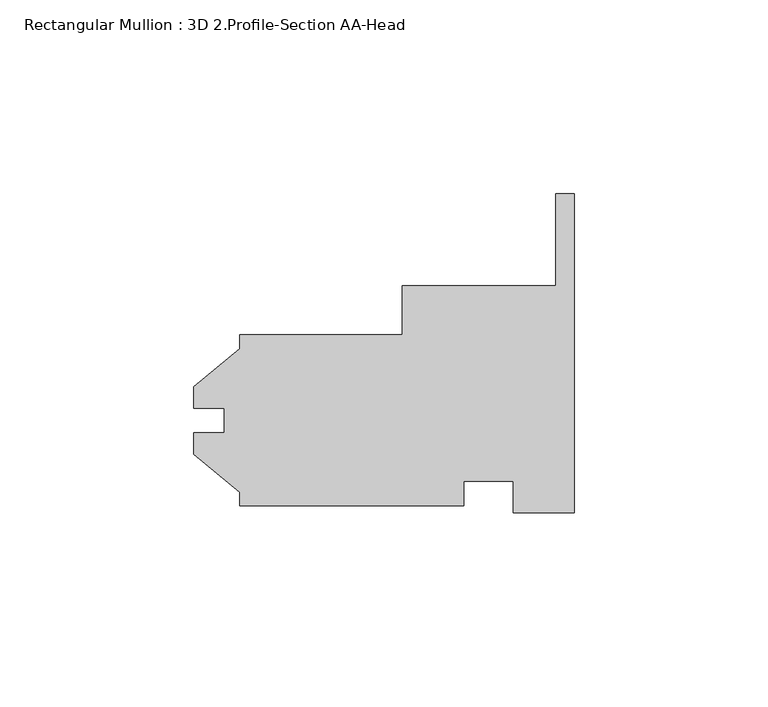
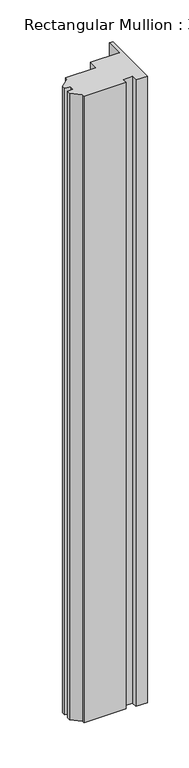
"""IFC4 building model written with IfcOpenShell, lengths in millimetres: member geometry, Rectangular Mullion : 3D 2.Profile-Section AA-Head."""

from ifc_helpers import new_model, si_unit, frame, origin, place, context, project, spatial, polyline, outline, extrude, source, transform, mapped, element, save


def rectangular_mullion_3d_2_profile_section_aa_head_4b4c24af(model_context):
    return source(origin(), model_context, "Body", "SweptSolid", [
        extrude(outline(polyline([(0.0, 58.6491765), (0.0, -23.7865235), (-15.875, -23.7865235), (-15.875, -15.6585235), (-28.575, -15.6585235), (-28.575, -22.0720235), (-86.5124, -22.0720235), (-86.5124, -18.4928595), (-98.41865, -8.7243235), (-98.41865, -3.1490235), (-90.4748, -3.1490235), (-90.4748, 3.2009765), (-98.41865, 3.2009765), (-98.41865, 8.7762765), (-86.5124, 18.5448126), (-86.5124, 22.1239765), (-44.45, 22.1239765), (-44.45, 34.8239765), (-4.7752, 34.8239765), (-4.7752, 58.6491765), (0.0, 58.6491765)])), frame((0.0, 0.0, -914.9953125), z_axis=(0.0, 0.0, 1.0), x_axis=(1.0, 0.0, 0.0)), (0.0, 0.0, 1.0), 914.9953125),
    ])


if __name__ == "__main__":
    model = new_model("IFC4")
    model_context = context("Model", 3, world=origin())
    ifc_project = project(units=[si_unit("LENGTHUNIT", "METRE", prefix="MILLI")], contexts=[model_context])
    site = spatial("IfcSite", under=ifc_project)
    building = spatial("IfcBuilding", under=site)
    placement = place(None, origin())
    rectangular_mullion_3d_2_profile_section_aa_head_shape = rectangular_mullion_3d_2_profile_section_aa_head_4b4c24af(model_context)
    element("IfcMember", 1, ObjectType="Rectangular Mullion : 3D 2.Profile-Section AA-Head", at=placement, inside=building, context=model_context, shape_type="MappedRepresentation", body=[
        mapped(rectangular_mullion_3d_2_profile_section_aa_head_shape, transform((0.0, 0.0, 0.0), x_axis=(1.0, 0.0, 0.0), y_axis=(0.0, 1.0, 0.0), z_axis=(0.0, 0.0, 1.0))),
    ])
    save(model, "model.ifc")
